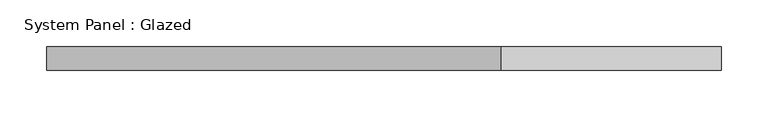
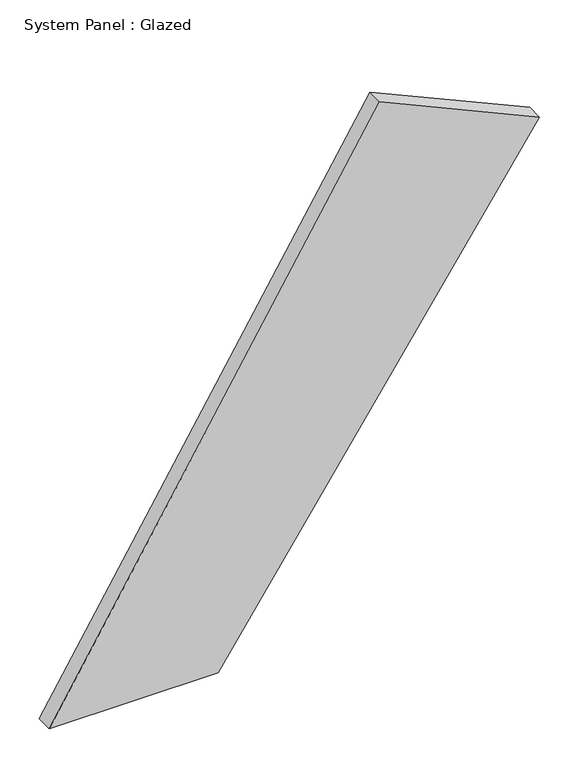
"""IFC4 building model written with IfcOpenShell, lengths in millimetres: plate geometry, System Panel : Glazed."""

from ifc_helpers import new_model, si_unit, frame, origin, place, context, project, spatial, polyline, outline, extrude, source, transform, mapped, element, save


def system_panel_glazed_f5f206e0(model_context):
    return source(origin(), model_context, "Body", "SweptSolid", [
        extrude(outline(polyline([(0.0, -360.9153673), (0.0, -112.0574475), (698.1742306, 360.9153673), (804.2221898, 125.6289721), (0.0, -360.9153673)])), frame((0.0, -49.5, 0.0), z_axis=(0.0, 1.0, 0.0), x_axis=(0.0, 0.0, 1.0)), (0.0, 0.0, 1.0), 25.0),
    ])


if __name__ == "__main__":
    model = new_model("IFC4")
    model_context = context("Model", 3, world=origin())
    ifc_project = project(units=[si_unit("LENGTHUNIT", "METRE", prefix="MILLI")], contexts=[model_context])
    site = spatial("IfcSite", under=ifc_project)
    building = spatial("IfcBuilding", under=site)
    placement = place(None, origin())
    system_panel_glazed_shape = system_panel_glazed_f5f206e0(model_context)
    element("IfcPlate", 1, ObjectType="System Panel : Glazed", at=placement, inside=building, context=model_context, shape_type="MappedRepresentation", body=[
        mapped(system_panel_glazed_shape, transform((0.0, 0.0, 0.0), x_axis=(1.0, 0.0, 0.0), y_axis=(0.0, 1.0, 0.0), z_axis=(0.0, 0.0, 1.0))),
    ])
    save(model, "model.ifc")
